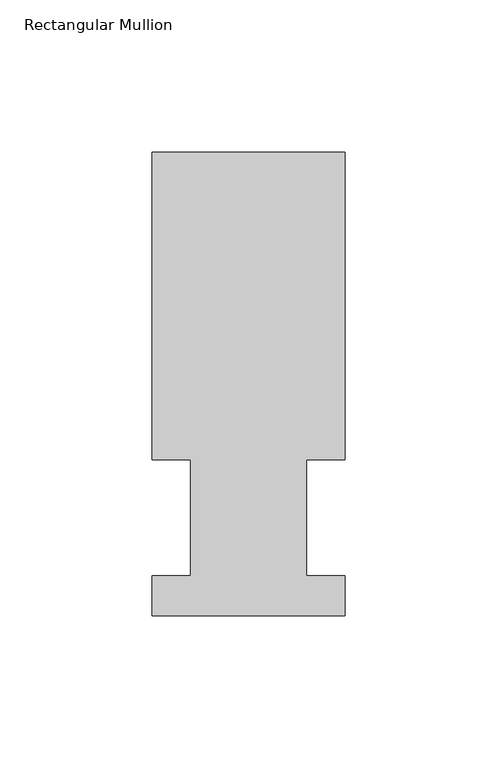
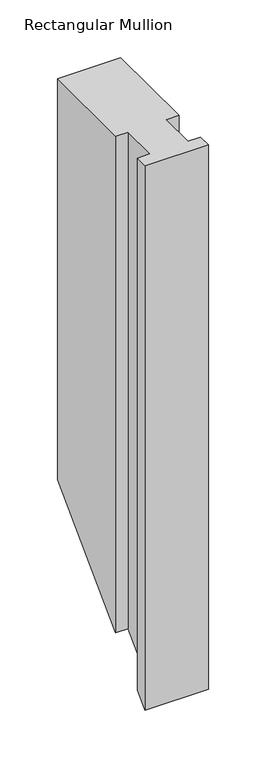
"""IFC4 building model written with IfcOpenShell, lengths in millimetres: member geometry, Rectangular Mullion."""

from ifc_helpers import new_model, si_unit, origin, place, context, project, spatial, faceted_brep, source, transform, mapped, element, save


def rectangular_mullion_2fd04f34(model_context):
    return source(origin(), model_context, "Body", "Brep", [
        faceted_brep([(-63.5, 152.4896937, 0.0), (-63.5, 51.2960937, 0.0), (-50.8000001, 51.2960937, 0.0), (-50.8000001, 13.1960937, 0.0), (-63.5, 13.1960937, 0.0), (-63.5, 0.0134937, 0.0), (0.0, 0.0134937, 0.0), (0.0, 13.1960937, 0.0), (-12.6873, 13.1960937, 0.0), (-12.6873, 51.2960938, 0.0), (0.0127, 51.2960937, 0.0), (0.0127, 152.4896937, 0.0), (-63.5, 152.4896937, -425.3603063), (-63.5, 51.2960937, -526.5539063), (-50.8000001, 51.2960937, -526.5539063), (-50.8000001, 13.1960937, -564.6539063), (-63.5, 13.1960937, -564.6539063), (-63.5, 0.0134937, -577.8365063), (0.0, 0.0134937, -577.8365063), (0.0, 13.1960937, -564.6539063), (-12.6873, 13.1960937, -564.6539063), (-12.6873, 51.2960938, -526.5539062), (0.0127, 51.2960937, -526.5539062), (0.0127, 152.4896937, -425.3603063)], [[[0, 1, 2, 3, 4, 5, 6, 7, 8, 9, 10, 11]], [[1, 0, 12, 13]], [[2, 1, 13, 14]], [[3, 2, 14, 15]], [[4, 3, 15, 16]], [[5, 4, 16, 17]], [[6, 5, 17, 18]], [[7, 6, 18, 19]], [[8, 7, 19, 20]], [[9, 8, 20, 21]], [[10, 9, 21, 22]], [[11, 10, 22, 23]], [[0, 11, 23, 12]], [[12, 23, 22, 21, 20, 19, 18, 17, 16, 15, 14, 13]]]),
    ])


if __name__ == "__main__":
    model = new_model("IFC4")
    model_context = context("Model", 3, world=origin())
    ifc_project = project(units=[si_unit("LENGTHUNIT", "METRE", prefix="MILLI")], contexts=[model_context])
    site = spatial("IfcSite", under=ifc_project)
    building = spatial("IfcBuilding", under=site)
    placement = place(None, origin())
    rectangular_mullion_shape = rectangular_mullion_2fd04f34(model_context)
    element("IfcMember", 1, ObjectType="Rectangular Mullion", at=placement, inside=building, context=model_context, shape_type="MappedRepresentation", body=[
        mapped(rectangular_mullion_shape, transform((0.0, 0.0, 0.0), x_axis=(1.0, 0.0, 0.0), y_axis=(0.0, 1.0, 0.0), z_axis=(0.0, 0.0, 1.0))),
    ])
    save(model, "model.ifc")
